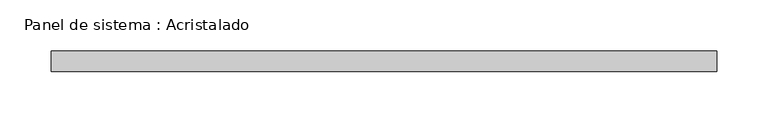
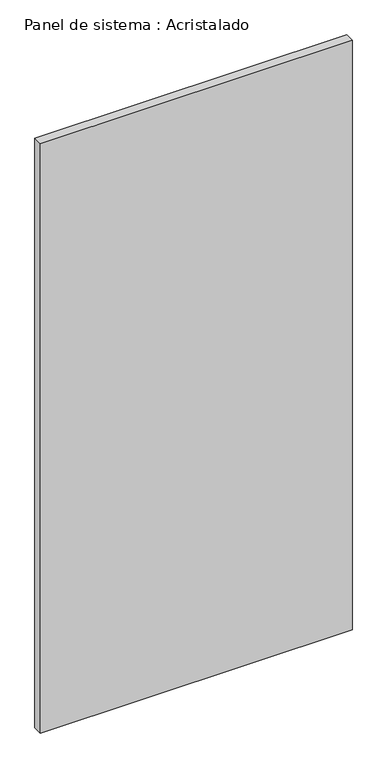
"""IFC4 building model written with IfcOpenShell, lengths in millimetres: plate geometry, Panel de sistema : Acristalado."""

import ifcopenshell
import ifcopenshell.guid

model = None  # the IFC model being written
_history = None  # IfcOwnerHistory: only IFC2X3 demands one
_inside = {}  # id of a spatial element -> (the spatial element, [elements in it])
_under = {}  # id of a project, library or spatial element -> (it, [spatial elements below it])
_declared = {}  # id of a project -> (the project, [libraries it declares])
_typed = {}  # id of a type object -> (the type object, [elements of that type])
_made_of = {}  # id of a material, layer set ... -> (it, [elements and type objects made of it])


def new_model(schema):
    """Start an empty IFC model of exactly this schema.

    Asked for "IFC4X3", IfcOpenShell would pick the latest addendum, in which some entities
    have other attributes; the version numbers below select the first issue.
    IFC2X3 requires an IfcOwnerHistory on every rooted entity: one is made here for all.
    """
    global model, _history
    if schema == "IFC4X3":
        model = ifcopenshell.file(schema_version=(4, 3, 0, 0))
    else:
        model = ifcopenshell.file(schema=schema)
    _inside.clear()
    _under.clear()
    _declared.clear()
    _typed.clear()
    _made_of.clear()
    _history = None
    if model.schema == "IFC2X3":
        org = make("IfcOrganization", Name="unknown")
        user = make(
            "IfcPersonAndOrganization",
            ThePerson=make("IfcPerson", FamilyName="unknown"),
            TheOrganization=org,
        )
        app = make(
            "IfcApplication",
            ApplicationDeveloper=org,
            Version="unknown",
            ApplicationFullName="unknown",
            ApplicationIdentifier="unknown",
        )
        _history = make(
            "IfcOwnerHistory",
            OwningUser=user,
            OwningApplication=app,
            ChangeAction="ADDED",
            CreationDate=0,
        )
    return model


def make(cls, **values):
    """One entity of the class cls with the attributes given. An attribute that is None is left unset."""
    return model.create_entity(
        cls, **{name: value for name, value in values.items() if value is not None}
    )


def rooted(cls, **values):
    """An entity with a GlobalId (a new one), such as an element, a storey or a relation."""
    return make(cls, GlobalId=ifcopenshell.guid.new(), OwnerHistory=_history, **values)


def si_unit(unit_type, name, prefix=None):
    """IfcSIUnit, for example si_unit("LENGTHUNIT", "METRE", prefix="MILLI")."""
    return make("IfcSIUnit", UnitType=unit_type, Prefix=prefix, Name=name)


def assignment(units):
    """IfcUnitAssignment: the units of a project."""
    return None if units is None else make("IfcUnitAssignment", Units=units)


def point(xyz):
    """IfcCartesianPoint."""
    return None if xyz is None else make("IfcCartesianPoint", Coordinates=xyz)


def direction(xyz):
    """IfcDirection."""
    return None if xyz is None else make("IfcDirection", DirectionRatios=xyz)


def frame(location, z_axis=None, x_axis=None):
    """IfcAxis2Placement3D, a coordinate frame: its origin and axes. An axis left out is left unset."""
    return make(
        "IfcAxis2Placement3D",
        Location=point(location),
        Axis=direction(z_axis),
        RefDirection=direction(x_axis),
    )


def origin():
    """The frame at (0, 0, 0) with its axes left unset."""
    return frame((0.0, 0.0, 0.0))


def origin_with_axes():
    """The frame at (0, 0, 0) with the z axis (0, 0, 1) and the x axis (1, 0, 0) written out."""
    return frame((0.0, 0.0, 0.0), z_axis=(0.0, 0.0, 1.0), x_axis=(1.0, 0.0, 0.0))


def place(relative_to, where):
    """IfcLocalPlacement: puts the frame where relative to a parent placement (None: the world)."""
    return make(
        "IfcLocalPlacement", PlacementRelTo=relative_to, RelativePlacement=where
    )


def context(
    kind, dimensions, precision=None, world=None, true_north=None, identifier=None
):
    """IfcGeometricRepresentationContext, for example the 3D "Model" context."""
    return make(
        "IfcGeometricRepresentationContext",
        ContextIdentifier=identifier,
        ContextType=kind,
        CoordinateSpaceDimension=dimensions,
        Precision=precision,
        WorldCoordinateSystem=world,
        TrueNorth=true_north,
    )


def project(units=None, contexts=None):
    """IfcProject with its units and contexts."""
    return rooted(
        "IfcProject",
        Name="project",
        RepresentationContexts=contexts,
        UnitsInContext=assignment(units),
    )


def spatial(cls, under=None, at=None, **own):
    """A site, building, storey or space (cls), placed at a placement, below another one or the project."""
    s = rooted(cls, ObjectPlacement=at, **own)
    if under is not None:
        _under.setdefault(under.id(), (under, []))[1].append(s)
    return s


def polyline(points):
    """IfcPolyline through the points."""
    return make("IfcPolyline", Points=[point(p) for p in points])


def outline(outer, holes=None, kind="AREA"):
    """IfcArbitraryClosedProfileDef: a profile drawn as a closed curve; with holes, ...WithVoids."""
    if holes is None:
        return make("IfcArbitraryClosedProfileDef", ProfileType=kind, OuterCurve=outer)
    return make(
        "IfcArbitraryProfileDefWithVoids",
        ProfileType=kind,
        OuterCurve=outer,
        InnerCurves=holes,
    )


def extrude(swept, where, along, depth):
    """IfcExtrudedAreaSolid: the profile swept, set in the frame where, extruded along a direction by depth."""
    return make(
        "IfcExtrudedAreaSolid",
        SweptArea=swept,
        Position=where,
        ExtrudedDirection=direction(along),
        Depth=depth,
    )


def shape(context_of_items, identifier, shape_type, items):
    """IfcShapeRepresentation: the items that make up one representation, for example the "Body"."""
    return make(
        "IfcShapeRepresentation",
        ContextOfItems=context_of_items,
        RepresentationIdentifier=identifier,
        RepresentationType=shape_type,
        Items=items,
    )


def source(mapping_origin, context_of_items, identifier, shape_type, items):
    """IfcRepresentationMap: a shape defined once, which mapped items show again and again."""
    return make(
        "IfcRepresentationMap",
        MappingOrigin=mapping_origin,
        MappedRepresentation=shape(context_of_items, identifier, shape_type, items),
    )


def transform(
    local_origin,
    x_axis=None,
    y_axis=None,
    z_axis=None,
    scale=None,
    scale2=None,
    scale3=None,
    uniform=True,
):
    """IfcCartesianTransformationOperator3D, or its non-uniform kind. x_axis, y_axis, z_axis: its Axis1, 2, 3."""
    if uniform:
        return make(
            "IfcCartesianTransformationOperator3D",
            Axis1=direction(x_axis),
            Axis2=direction(y_axis),
            LocalOrigin=point(local_origin),
            Scale=scale,
            Axis3=direction(z_axis),
        )
    return make(
        "IfcCartesianTransformationOperator3DnonUniform",
        Axis1=direction(x_axis),
        Axis2=direction(y_axis),
        LocalOrigin=point(local_origin),
        Scale=scale,
        Axis3=direction(z_axis),
        Scale2=scale2,
        Scale3=scale3,
    )


def mapped(mapping_source, mapping_target):
    """IfcMappedItem: shows the shape of a source again, moved by a transform."""
    return make(
        "IfcMappedItem", MappingSource=mapping_source, MappingTarget=mapping_target
    )


def made_of(thing, what):
    """Note that an element or type object is made of a material, layer set ...; save() writes the relation."""
    if what is not None:
        _made_of.setdefault(what.id(), (what, []))[1].append(thing)
    return thing


def element(
    cls,
    number,
    at=None,
    inside=None,
    cuts=None,
    type_object=None,
    material=None,
    context=None,
    identifier="Body",
    shape_type=None,
    held_by="IfcProductDefinitionShape",
    body=None,
    shapes=None,
    **own,
):
    """One element of the class cls, such as IfcWall. Its Tag is "e" and its number.

    at: its placement. inside: the storey or other place that contains it. cuts: it is an
    opening in that element (IfcRelVoidsElement). A single representation is given by context,
    identifier, shape_type and body (its items); several are given by shapes. held_by: the class
    of the entity that holds the representations. save() writes the other relations.
    """
    e = rooted(cls, Tag="e%d" % number, ObjectPlacement=at, **own)
    if body is not None:
        shapes = [shape(context, identifier, shape_type, body)]
    if shapes is not None:
        e.Representation = make(held_by, Representations=shapes)
    if inside is not None:
        _inside.setdefault(inside.id(), (inside, []))[1].append(e)
    if cuts is not None:
        rooted(
            "IfcRelVoidsElement", RelatingBuildingElement=cuts, RelatedOpeningElement=e
        )
    if type_object is not None:
        _typed.setdefault(type_object.id(), (type_object, []))[1].append(e)
    return made_of(e, material)


def aggregate(whole, parts):
    """IfcRelAggregates: a whole, such as a stair, and the parts it consists of."""
    return rooted("IfcRelAggregates", RelatingObject=whole, RelatedObjects=parts)


def save(model, path):
    """Write the relations noted so far, then the file.

    IfcRelAggregates (storeys below a building ...), IfcRelContainedInSpatialStructure (elements
    in a storey), IfcRelDefinesByType, IfcRelAssociatesMaterial and IfcRelDeclares: one each for
    every whole, place, type object, material and project.
    """
    for whole, parts in _under.values():
        aggregate(whole, parts)
    for where, things in _inside.values():
        rooted(
            "IfcRelContainedInSpatialStructure",
            RelatedElements=things,
            RelatingStructure=where,
        )
    for kind, things in _typed.values():
        rooted("IfcRelDefinesByType", RelatedObjects=things, RelatingType=kind)
    for what, things in _made_of.values():
        rooted("IfcRelAssociatesMaterial", RelatedObjects=things, RelatingMaterial=what)
    for by, libraries in _declared.values():
        rooted("IfcRelDeclares", RelatingContext=by, RelatedDefinitions=libraries)
    model.write(path)


def panel_de_sistema_acristalado_fc264da1(model_context):
    return source(origin(), model_context, "Body", "SweptSolid", [
        extrude(outline(polyline([(325.0, -10.0), (-325.0, -10.0), (-325.0, 10.0), (325.0, 10.0), (325.0, -10.0)])), origin_with_axes(), (0.0, 0.0, 1.0), 1300.0),
    ])


if __name__ == "__main__":
    model = new_model("IFC4")
    model_context = context("Model", 3, world=origin())
    ifc_project = project(units=[si_unit("LENGTHUNIT", "METRE", prefix="MILLI")], contexts=[model_context])
    site = spatial("IfcSite", under=ifc_project)
    building = spatial("IfcBuilding", under=site)
    placement = place(None, origin())
    panel_de_sistema_acristalado_shape = panel_de_sistema_acristalado_fc264da1(model_context)
    element("IfcPlate", 1, ObjectType="Panel de sistema : Acristalado", at=placement, inside=building, context=model_context, shape_type="MappedRepresentation", body=[
        mapped(panel_de_sistema_acristalado_shape, transform((0.0, 0.0, 0.0), x_axis=(1.0, 0.0, 0.0), y_axis=(0.0, 1.0, 0.0), z_axis=(0.0, 0.0, 1.0))),
    ])
    save(model, "model.ifc")
